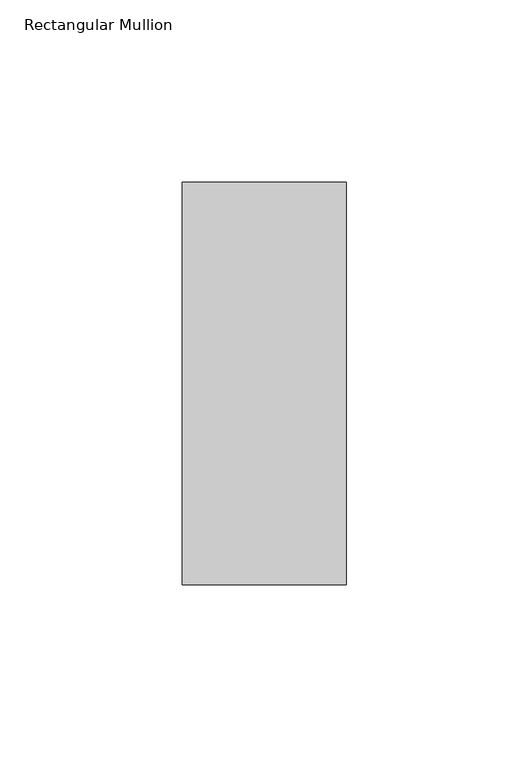
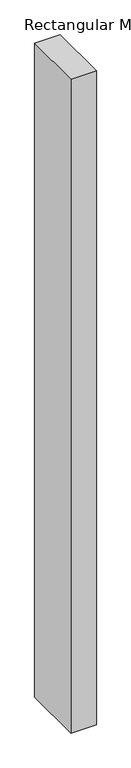
"""IFC4 building model written with IfcOpenShell, lengths in millimetres: member geometry, Rectangular Mullion."""

from ifc_helpers import new_model, si_unit, frame, origin, place, context, project, spatial, polyline, outline, extrude, source, transform, mapped, element, save


def rectangular_mullion_4f4b4340(model_context):
    return source(origin(), model_context, "Body", "SweptSolid", [
        extrude(outline(polyline([(0.0, -70.7), (-45.0, -70.7), (-45.0, 39.7), (0.0, 39.7), (0.0, -70.7)])), frame((0.0, 0.0, -1219.2), z_axis=(0.0, 0.0, 1.0), x_axis=(1.0, 0.0, 0.0)), (0.0, 0.0, 1.0), 1219.2),
    ])


if __name__ == "__main__":
    model = new_model("IFC4")
    model_context = context("Model", 3, world=origin())
    ifc_project = project(units=[si_unit("LENGTHUNIT", "METRE", prefix="MILLI")], contexts=[model_context])
    site = spatial("IfcSite", under=ifc_project)
    building = spatial("IfcBuilding", under=site)
    placement = place(None, origin())
    rectangular_mullion_shape = rectangular_mullion_4f4b4340(model_context)
    element("IfcMember", 1, ObjectType="Rectangular Mullion", at=placement, inside=building, context=model_context, shape_type="MappedRepresentation", body=[
        mapped(rectangular_mullion_shape, transform((0.0, 0.0, 0.0), x_axis=(1.0, 0.0, 0.0), y_axis=(0.0, 1.0, 0.0), z_axis=(0.0, 0.0, 1.0))),
    ])
    save(model, "model.ifc")
